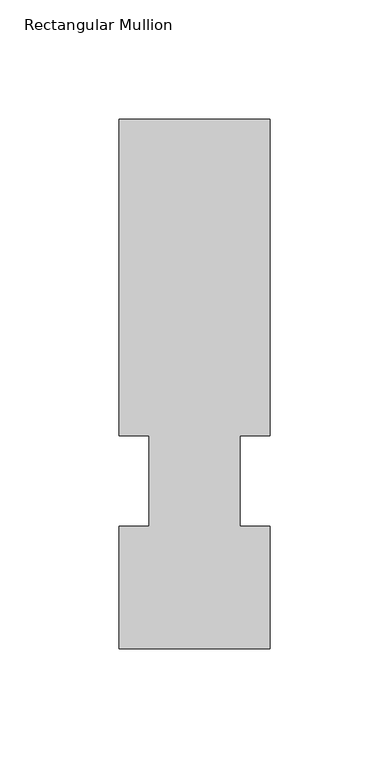
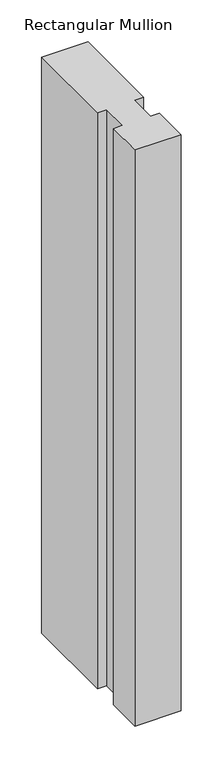
"""IFC4 building model written with IfcOpenShell, lengths in millimetres: member geometry, Rectangular Mullion."""

from ifc_helpers import new_model, si_unit, frame, origin, place, context, project, spatial, polyline, outline, extrude, source, transform, mapped, element, save


def rectangular_mullion_91ea5a50(model_context):
    return source(origin(), model_context, "Body", "SweptSolid", [
        extrude(outline(polyline([(-31.7500004, 222.5381312), (31.7499996, 222.5381312), (31.7499996, 89.5945313), (19.05, 89.5945313), (19.05, 51.4945313), (31.7499999, 51.4945313), (31.7499999, 0.2119313), (-31.7500001, 0.2119313), (-31.7500001, 51.4945313), (-19.0500001, 51.4945313), (-19.0500001, 89.5945313), (-31.7500004, 89.5945313), (-31.7500004, 222.5381312)])), frame((0.0, 0.0, -838.1999999), z_axis=(0.0, 0.0, 1.0), x_axis=(1.0, 0.0, 0.0)), (0.0, 0.0, 1.0), 838.1999999),
    ])


if __name__ == "__main__":
    model = new_model("IFC4")
    model_context = context("Model", 3, world=origin())
    ifc_project = project(units=[si_unit("LENGTHUNIT", "METRE", prefix="MILLI")], contexts=[model_context])
    site = spatial("IfcSite", under=ifc_project)
    building = spatial("IfcBuilding", under=site)
    placement = place(None, origin())
    rectangular_mullion_shape = rectangular_mullion_91ea5a50(model_context)
    element("IfcMember", 1, ObjectType="Rectangular Mullion", at=placement, inside=building, context=model_context, shape_type="MappedRepresentation", body=[
        mapped(rectangular_mullion_shape, transform((0.0, 0.0, 0.0), x_axis=(1.0, 0.0, 0.0), y_axis=(0.0, 1.0, 0.0), z_axis=(0.0, 0.0, 1.0))),
    ])
    save(model, "model.ifc")
